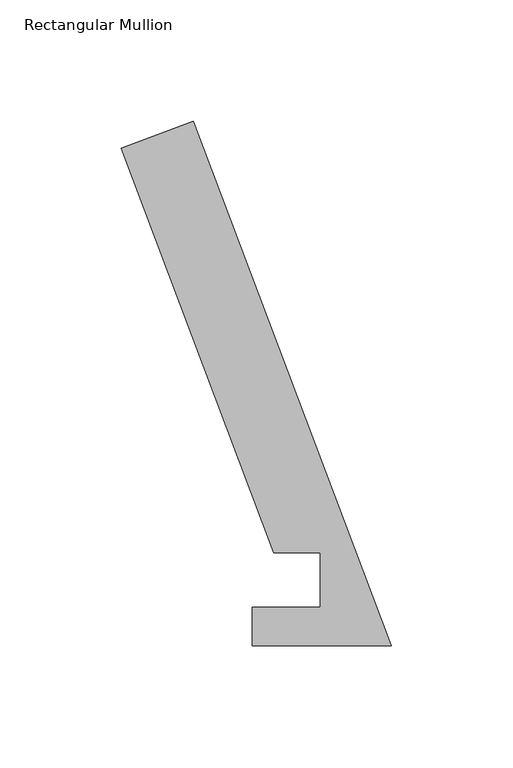
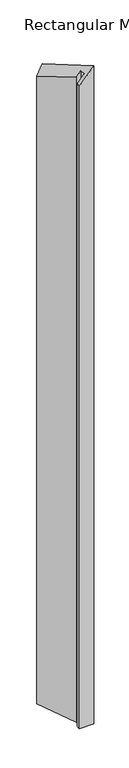
"""IFC4 building model written with IfcOpenShell, lengths in millimetres: member geometry, Rectangular Mullion."""

from ifc_helpers import new_model, si_unit, origin, place, context, project, spatial, faceted_brep, source, transform, mapped, element, save


def rectangular_mullion_6ff73be9(model_context):
    return source(origin(), model_context, "Body", "Brep", [
        faceted_brep([(-48.4216661, 38.2984375, -55.9125239), (-111.4156088, 205.0070695, -128.6516634), (-111.4156088, 205.0070695, -2793.5381436), (-48.4216661, 38.2984375, -2793.5381436), (-29.3735907, 38.2984375, -33.917701), (-29.3735907, 38.2984375, -2793.5381436), (-29.3735907, 15.8114626, -33.917701), (-29.3735907, 15.8114626, -2793.5381436), (-57.277, 15.8114626, -66.1377827), (-57.277, 15.8114626, -2793.5381436), (-57.277, -0.0635374, -66.1377827), (-57.277, -0.0635374, -2793.5381436), (0.0, -0.0635374, 0.0), (0.0, -0.0635374, -2793.5381436), (-81.7285764, 216.2248642, -94.3720312), (-81.7285764, 216.2248642, -2793.5381436)], [[[0, 1, 2, 3]], [[4, 0, 3, 5]], [[6, 4, 5, 7]], [[8, 6, 7, 9]], [[10, 8, 9, 11]], [[12, 10, 11, 13]], [[14, 12, 13, 15]], [[1, 14, 15, 2]], [[1, 0, 4, 6, 8, 10, 12, 14]], [[2, 15, 13, 11, 9, 7, 5, 3]]]),
    ])


if __name__ == "__main__":
    model = new_model("IFC4")
    model_context = context("Model", 3, world=origin())
    ifc_project = project(units=[si_unit("LENGTHUNIT", "METRE", prefix="MILLI")], contexts=[model_context])
    site = spatial("IfcSite", under=ifc_project)
    building = spatial("IfcBuilding", under=site)
    placement = place(None, origin())
    rectangular_mullion_shape = rectangular_mullion_6ff73be9(model_context)
    element("IfcMember", 1, ObjectType="Rectangular Mullion", at=placement, inside=building, context=model_context, shape_type="MappedRepresentation", body=[
        mapped(rectangular_mullion_shape, transform((0.0, 0.0, 0.0), x_axis=(1.0, 0.0, 0.0), y_axis=(0.0, 1.0, 0.0), z_axis=(0.0, 0.0, 1.0))),
    ])
    save(model, "model.ifc")
